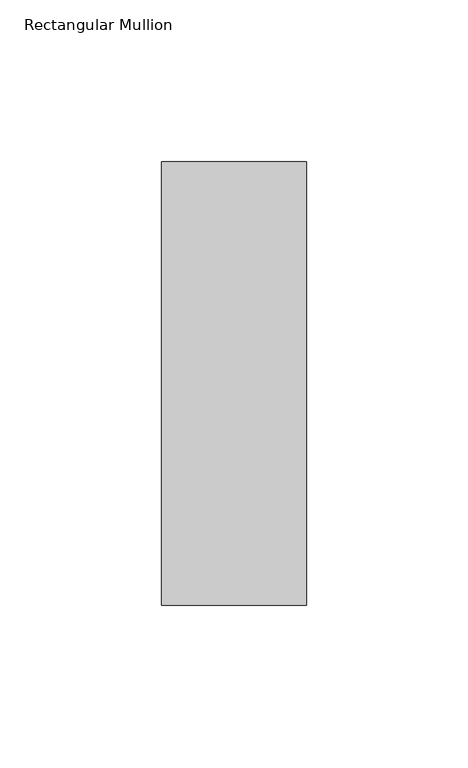
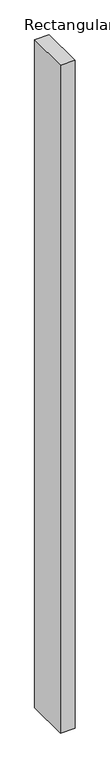
"""IFC4 building model written with IfcOpenShell, lengths in millimetres: member geometry, Rectangular Mullion."""

from ifc_helpers import new_model, si_unit, frame, origin, place, context, project, spatial, polyline, outline, extrude, source, transform, mapped, element, save


def rectangular_mullion_8e9f6b1c(model_context):
    return source(origin(), model_context, "Body", "SweptSolid", [
        extrude(outline(polyline([(0.0, 84.19375), (0.0, -53.19375), (-45.0, -53.19375), (-45.0, 84.19375), (0.0, 84.19375)])), frame((0.0, 0.0, -2178.5642788), z_axis=(0.0, 0.0, 1.0), x_axis=(1.0, 0.0, 0.0)), (0.0, 0.0, 1.0), 2178.5642788),
    ])


if __name__ == "__main__":
    model = new_model("IFC4")
    model_context = context("Model", 3, world=origin())
    ifc_project = project(units=[si_unit("LENGTHUNIT", "METRE", prefix="MILLI")], contexts=[model_context])
    site = spatial("IfcSite", under=ifc_project)
    building = spatial("IfcBuilding", under=site)
    placement = place(None, origin())
    rectangular_mullion_shape = rectangular_mullion_8e9f6b1c(model_context)
    element("IfcMember", 1, ObjectType="Rectangular Mullion", at=placement, inside=building, context=model_context, shape_type="MappedRepresentation", body=[
        mapped(rectangular_mullion_shape, transform((0.0, 0.0, 0.0), x_axis=(1.0, 0.0, 0.0), y_axis=(0.0, 1.0, 0.0), z_axis=(0.0, 0.0, 1.0))),
    ])
    save(model, "model.ifc")
